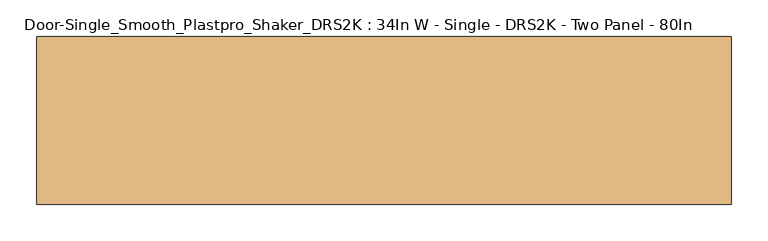
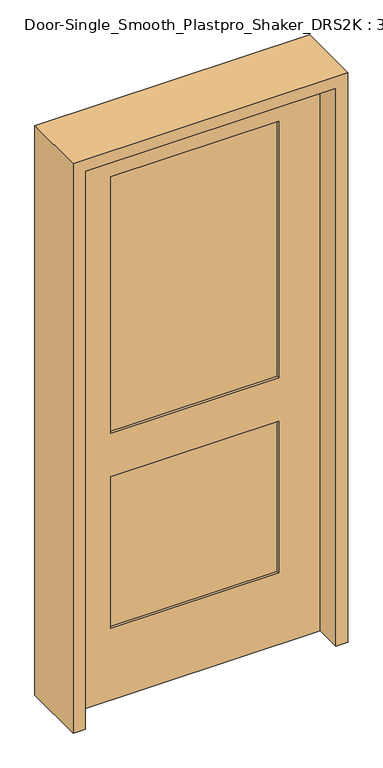
"""IFC4 building model written with IfcOpenShell, lengths in millimetres: door geometry, Door-Single_Smooth_Plastpro_Shaker_DRS2K : 34In W - Single - DRS2K - Two Panel - 80In."""

import ifcopenshell
import ifcopenshell.guid

model = None  # the IFC model being written
_history = None  # IfcOwnerHistory: only IFC2X3 demands one
_inside = {}  # id of a spatial element -> (the spatial element, [elements in it])
_under = {}  # id of a project, library or spatial element -> (it, [spatial elements below it])
_declared = {}  # id of a project -> (the project, [libraries it declares])
_typed = {}  # id of a type object -> (the type object, [elements of that type])
_made_of = {}  # id of a material, layer set ... -> (it, [elements and type objects made of it])


def new_model(schema):
    """Start an empty IFC model of exactly this schema.

    Asked for "IFC4X3", IfcOpenShell would pick the latest addendum, in which some entities
    have other attributes; the version numbers below select the first issue.
    IFC2X3 requires an IfcOwnerHistory on every rooted entity: one is made here for all.
    """
    global model, _history
    if schema == "IFC4X3":
        model = ifcopenshell.file(schema_version=(4, 3, 0, 0))
    else:
        model = ifcopenshell.file(schema=schema)
    _inside.clear()
    _under.clear()
    _declared.clear()
    _typed.clear()
    _made_of.clear()
    _history = None
    if model.schema == "IFC2X3":
        org = make("IfcOrganization", Name="unknown")
        user = make(
            "IfcPersonAndOrganization",
            ThePerson=make("IfcPerson", FamilyName="unknown"),
            TheOrganization=org,
        )
        app = make(
            "IfcApplication",
            ApplicationDeveloper=org,
            Version="unknown",
            ApplicationFullName="unknown",
            ApplicationIdentifier="unknown",
        )
        _history = make(
            "IfcOwnerHistory",
            OwningUser=user,
            OwningApplication=app,
            ChangeAction="ADDED",
            CreationDate=0,
        )
    return model


def make(cls, **values):
    """One entity of the class cls with the attributes given. An attribute that is None is left unset."""
    return model.create_entity(
        cls, **{name: value for name, value in values.items() if value is not None}
    )


def rooted(cls, **values):
    """An entity with a GlobalId (a new one), such as an element, a storey or a relation."""
    return make(cls, GlobalId=ifcopenshell.guid.new(), OwnerHistory=_history, **values)


def si_unit(unit_type, name, prefix=None):
    """IfcSIUnit, for example si_unit("LENGTHUNIT", "METRE", prefix="MILLI")."""
    return make("IfcSIUnit", UnitType=unit_type, Prefix=prefix, Name=name)


def assignment(units):
    """IfcUnitAssignment: the units of a project."""
    return None if units is None else make("IfcUnitAssignment", Units=units)


def point(xyz):
    """IfcCartesianPoint."""
    return None if xyz is None else make("IfcCartesianPoint", Coordinates=xyz)


def direction(xyz):
    """IfcDirection."""
    return None if xyz is None else make("IfcDirection", DirectionRatios=xyz)


def frame(location, z_axis=None, x_axis=None):
    """IfcAxis2Placement3D, a coordinate frame: its origin and axes. An axis left out is left unset."""
    return make(
        "IfcAxis2Placement3D",
        Location=point(location),
        Axis=direction(z_axis),
        RefDirection=direction(x_axis),
    )


def origin():
    """The frame at (0, 0, 0) with its axes left unset."""
    return frame((0.0, 0.0, 0.0))


def place(relative_to, where):
    """IfcLocalPlacement: puts the frame where relative to a parent placement (None: the world)."""
    return make(
        "IfcLocalPlacement", PlacementRelTo=relative_to, RelativePlacement=where
    )


def context(
    kind, dimensions, precision=None, world=None, true_north=None, identifier=None
):
    """IfcGeometricRepresentationContext, for example the 3D "Model" context."""
    return make(
        "IfcGeometricRepresentationContext",
        ContextIdentifier=identifier,
        ContextType=kind,
        CoordinateSpaceDimension=dimensions,
        Precision=precision,
        WorldCoordinateSystem=world,
        TrueNorth=true_north,
    )


def project(units=None, contexts=None):
    """IfcProject with its units and contexts."""
    return rooted(
        "IfcProject",
        Name="project",
        RepresentationContexts=contexts,
        UnitsInContext=assignment(units),
    )


def spatial(cls, under=None, at=None, **own):
    """A site, building, storey or space (cls), placed at a placement, below another one or the project."""
    s = rooted(cls, ObjectPlacement=at, **own)
    if under is not None:
        _under.setdefault(under.id(), (under, []))[1].append(s)
    return s


def polyline(points):
    """IfcPolyline through the points."""
    return make("IfcPolyline", Points=[point(p) for p in points])


def outline(outer, holes=None, kind="AREA"):
    """IfcArbitraryClosedProfileDef: a profile drawn as a closed curve; with holes, ...WithVoids."""
    if holes is None:
        return make("IfcArbitraryClosedProfileDef", ProfileType=kind, OuterCurve=outer)
    return make(
        "IfcArbitraryProfileDefWithVoids",
        ProfileType=kind,
        OuterCurve=outer,
        InnerCurves=holes,
    )


def extrude(swept, where, along, depth):
    """IfcExtrudedAreaSolid: the profile swept, set in the frame where, extruded along a direction by depth."""
    return make(
        "IfcExtrudedAreaSolid",
        SweptArea=swept,
        Position=where,
        ExtrudedDirection=direction(along),
        Depth=depth,
    )


def faces_of(points, faces, orient=None, outer=None):
    """IfcFace entities. A face is a list of loops; a loop is a list of indices into points, from 0.

    orient and outer hold one flag for each loop. By default every Orientation is true, the
    first loop of a face is its IfcFaceOuterBound and the others are IfcFaceBound.
    """
    made = []
    for i, loops in enumerate(faces):
        bounds = []
        for j, loop in enumerate(loops):
            is_outer = j == 0 if outer is None else outer[i][j]
            bounds.append(
                make(
                    "IfcFaceOuterBound" if is_outer else "IfcFaceBound",
                    Bound=make("IfcPolyLoop", Polygon=[points[k] for k in loop]),
                    Orientation=True if orient is None else orient[i][j],
                )
            )
        made.append(make("IfcFace", Bounds=bounds))
    return made


def faceted_brep(points, faces, orient=None, outer=None, voids=None):
    """IfcFacetedBrep: a solid bounded by flat faces; with voids (closed shells), ...WithVoids."""
    shared = [point(p) for p in points]
    hull = make("IfcClosedShell", CfsFaces=faces_of(shared, faces, orient, outer))
    if voids is None:
        return make("IfcFacetedBrep", Outer=hull)
    return make(
        "IfcFacetedBrepWithVoids",
        Outer=hull,
        Voids=[
            make(cls, CfsFaces=faces_of(shared, fs, o, b)) for cls, fs, o, b in voids
        ],
    )


def shape(context_of_items, identifier, shape_type, items):
    """IfcShapeRepresentation: the items that make up one representation, for example the "Body"."""
    return make(
        "IfcShapeRepresentation",
        ContextOfItems=context_of_items,
        RepresentationIdentifier=identifier,
        RepresentationType=shape_type,
        Items=items,
    )


def source(mapping_origin, context_of_items, identifier, shape_type, items):
    """IfcRepresentationMap: a shape defined once, which mapped items show again and again."""
    return make(
        "IfcRepresentationMap",
        MappingOrigin=mapping_origin,
        MappedRepresentation=shape(context_of_items, identifier, shape_type, items),
    )


def transform(
    local_origin,
    x_axis=None,
    y_axis=None,
    z_axis=None,
    scale=None,
    scale2=None,
    scale3=None,
    uniform=True,
):
    """IfcCartesianTransformationOperator3D, or its non-uniform kind. x_axis, y_axis, z_axis: its Axis1, 2, 3."""
    if uniform:
        return make(
            "IfcCartesianTransformationOperator3D",
            Axis1=direction(x_axis),
            Axis2=direction(y_axis),
            LocalOrigin=point(local_origin),
            Scale=scale,
            Axis3=direction(z_axis),
        )
    return make(
        "IfcCartesianTransformationOperator3DnonUniform",
        Axis1=direction(x_axis),
        Axis2=direction(y_axis),
        LocalOrigin=point(local_origin),
        Scale=scale,
        Axis3=direction(z_axis),
        Scale2=scale2,
        Scale3=scale3,
    )


def mapped(mapping_source, mapping_target):
    """IfcMappedItem: shows the shape of a source again, moved by a transform."""
    return make(
        "IfcMappedItem", MappingSource=mapping_source, MappingTarget=mapping_target
    )


def made_of(thing, what):
    """Note that an element or type object is made of a material, layer set ...; save() writes the relation."""
    if what is not None:
        _made_of.setdefault(what.id(), (what, []))[1].append(thing)
    return thing


def element(
    cls,
    number,
    at=None,
    inside=None,
    cuts=None,
    type_object=None,
    material=None,
    context=None,
    identifier="Body",
    shape_type=None,
    held_by="IfcProductDefinitionShape",
    body=None,
    shapes=None,
    **own,
):
    """One element of the class cls, such as IfcWall. Its Tag is "e" and its number.

    at: its placement. inside: the storey or other place that contains it. cuts: it is an
    opening in that element (IfcRelVoidsElement). A single representation is given by context,
    identifier, shape_type and body (its items); several are given by shapes. held_by: the class
    of the entity that holds the representations. save() writes the other relations.
    """
    e = rooted(cls, Tag="e%d" % number, ObjectPlacement=at, **own)
    if body is not None:
        shapes = [shape(context, identifier, shape_type, body)]
    if shapes is not None:
        e.Representation = make(held_by, Representations=shapes)
    if inside is not None:
        _inside.setdefault(inside.id(), (inside, []))[1].append(e)
    if cuts is not None:
        rooted(
            "IfcRelVoidsElement", RelatingBuildingElement=cuts, RelatedOpeningElement=e
        )
    if type_object is not None:
        _typed.setdefault(type_object.id(), (type_object, []))[1].append(e)
    return made_of(e, material)


def aggregate(whole, parts):
    """IfcRelAggregates: a whole, such as a stair, and the parts it consists of."""
    return rooted("IfcRelAggregates", RelatingObject=whole, RelatedObjects=parts)


def save(model, path):
    """Write the relations noted so far, then the file.

    IfcRelAggregates (storeys below a building ...), IfcRelContainedInSpatialStructure (elements
    in a storey), IfcRelDefinesByType, IfcRelAssociatesMaterial and IfcRelDeclares: one each for
    every whole, place, type object, material and project.
    """
    for whole, parts in _under.values():
        aggregate(whole, parts)
    for where, things in _inside.values():
        rooted(
            "IfcRelContainedInSpatialStructure",
            RelatedElements=things,
            RelatingStructure=where,
        )
    for kind, things in _typed.values():
        rooted("IfcRelDefinesByType", RelatedObjects=things, RelatingType=kind)
    for what, things in _made_of.values():
        rooted("IfcRelAssociatesMaterial", RelatedObjects=things, RelatingMaterial=what)
    for by, libraries in _declared.values():
        rooted("IfcRelDeclares", RelatingContext=by, RelatedDefinitions=libraries)
    model.write(path)


def door_single_smooth_plastpro_shaker_drs2k_34in_w_single_drs2k_61f4f571(model_context):
    return source(origin(), model_context, "Body", "SolidModel", [
        faceted_brep([(431.8, 20.6375, 2032.0), (-431.8, 20.6375, 2032.0), (-431.8, -20.6375, 2032.0), (431.8, -20.6375, 2032.0), (431.8, 20.6375, 0.0), (431.8, -20.6375, 0.0), (-431.8, -20.6375, 0.0), (-431.8, 20.6375, 0.0), (-288.925, 20.6375, 1905.0), (-288.925, 20.6375, 971.55), (288.925, 20.6375, 971.55), (288.925, 20.6375, 1905.0), (-288.925, 20.6375, 812.8), (-288.925, 20.6375, 260.35), (288.925, 20.6375, 260.35), (288.925, 20.6375, 812.8), (-288.925, -20.6375, 971.55), (-288.925, -20.6375, 1905.0), (288.925, -20.6375, 1905.0), (288.925, -20.6375, 971.55), (-288.925, -20.6375, 260.35), (-288.925, -20.6375, 812.8), (288.925, -20.6375, 812.8), (288.925, -20.6375, 260.35), (-288.925, -11.6572439, 971.55), (288.925, -11.6572439, 971.55), (288.925, -11.6572439, 1905.0), (-288.925, -11.6572439, 1905.0), (-288.925, -11.6572439, 260.35), (288.925, -11.6572439, 260.35), (288.925, -11.6572439, 812.8), (-288.925, -11.6572439, 812.8), (-288.925, 11.6572439, 971.55), (-288.925, 11.6572439, 1905.0), (288.925, 11.6572439, 1905.0), (288.925, 11.6572439, 971.55), (-288.925, 11.6572439, 260.35), (-288.925, 11.6572439, 812.8), (288.925, 11.6572439, 812.8), (288.925, 11.6572439, 260.35)], [[[0, 1, 2, 3]], [[4, 5, 6, 7]], [[1, 0, 4, 7], [8, 9, 10, 11], [12, 13, 14, 15]], [[2, 1, 7, 6]], [[3, 2, 6, 5], [16, 17, 18, 19], [20, 21, 22, 23]], [[0, 3, 5, 4]], [[24, 25, 26, 27]], [[28, 29, 30, 31]], [[24, 27, 17, 16]], [[27, 26, 18, 17]], [[26, 25, 19, 18]], [[25, 24, 16, 19]], [[28, 31, 21, 20]], [[31, 30, 22, 21]], [[30, 29, 23, 22]], [[29, 28, 20, 23]], [[32, 33, 34, 35]], [[36, 37, 38, 39]], [[33, 32, 9, 8]], [[34, 33, 8, 11]], [[35, 34, 11, 10]], [[32, 35, 10, 9]], [[37, 36, 13, 12]], [[38, 37, 12, 15]], [[39, 38, 15, 14]], [[36, 39, 14, 13]]]),
        extrude(outline(polyline([(2073.275, -473.075), (0.0, -473.075), (0.0, -431.8), (2032.0, -431.8), (2032.0, 431.8), (0.0, 431.8), (0.0, 473.075), (2073.275, 473.075), (2073.275, -473.075)])), frame((0.0, -114.3, 0.0), z_axis=(0.0, 1.0, 0.0), x_axis=(0.0, 0.0, 1.0)), (0.0, 0.0, 1.0), 228.6),
    ])


if __name__ == "__main__":
    model = new_model("IFC4")
    model_context = context("Model", 3, world=origin())
    ifc_project = project(units=[si_unit("LENGTHUNIT", "METRE", prefix="MILLI")], contexts=[model_context])
    site = spatial("IfcSite", under=ifc_project)
    building = spatial("IfcBuilding", under=site)
    placement = place(None, origin())
    door_single_smooth_plastpro_shaker_drs2k_34in_w_single_drs2k_shape = door_single_smooth_plastpro_shaker_drs2k_34in_w_single_drs2k_61f4f571(model_context)
    element("IfcDoor", 1, ObjectType="Door-Single_Smooth_Plastpro_Shaker_DRS2K : 34In W - Single - DRS2K - Two Panel - 80In", at=placement, inside=building, context=model_context, shape_type="MappedRepresentation", body=[
        mapped(door_single_smooth_plastpro_shaker_drs2k_34in_w_single_drs2k_shape, transform((0.0, 0.0, 0.0), x_axis=(1.0, 0.0, 0.0), y_axis=(0.0, 1.0, 0.0), z_axis=(0.0, 0.0, 1.0))),
    ])
    save(model, "model.ifc")
